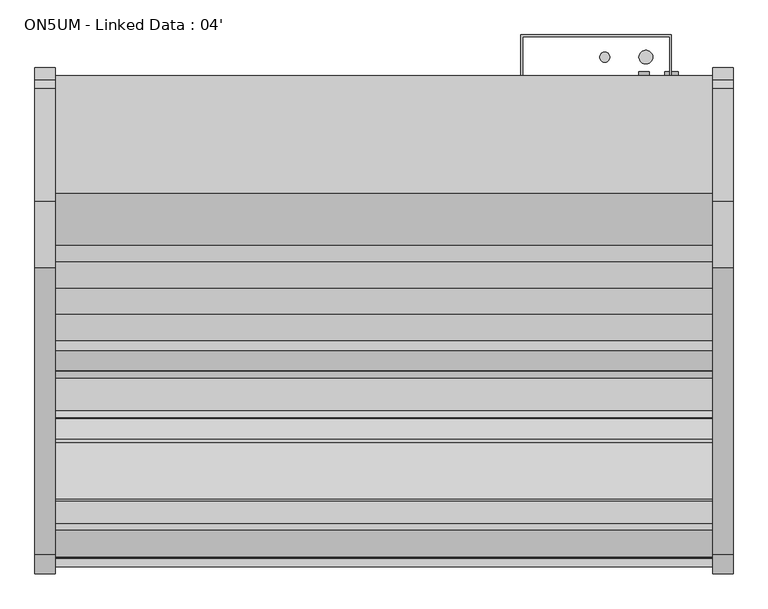
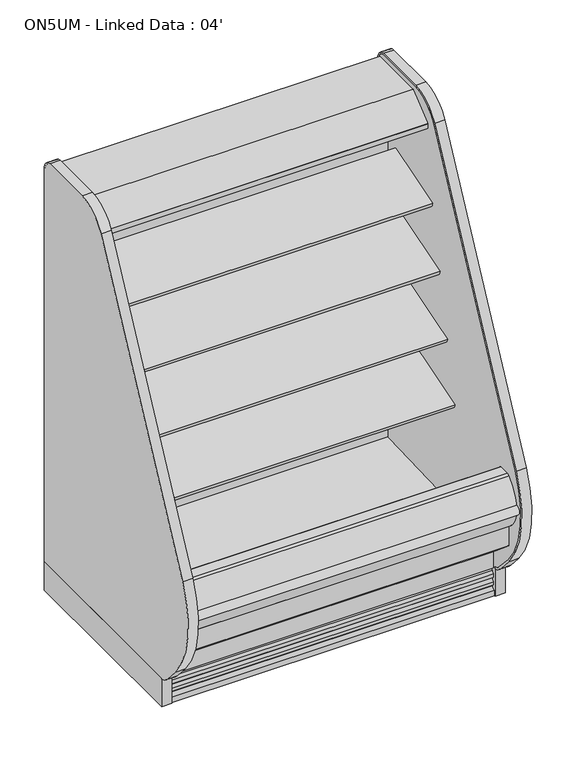
"""IFC4 building model written with IfcOpenShell, lengths in millimetres: proxy geometry, ON5UM - Linked Data : 04'."""

from ifc_helpers import new_model, si_unit, point, frame, frame_2d, origin, origin_with_axes, place, context, project, spatial, polyline, circle_curve, trimmed, segment, composite_curve, outline, extrude, source, transform, mapped, element, save
from ifc_brep_helpers import plane_surface, cylinder_surface, revolved_surface, advanced_brep


def on5um_linked_data_04_79787206(model_context):
    return source(origin(), model_context, "Body", "SolidModel", [
        extrude(outline(composite_curve([segment(polyline([(-386.2893812, 1680.5112406), (-386.2893812, 114.3), (-1152.4160029, 114.3), (-1152.4160029, 109.4814209)]), True, "CONTINUOUS"), segment(trimmed(circle_curve(frame_2d((-1137.0030162, 174.3506772)), 66.6751871), [point((-1152.4160029, 109.4814209))], [point((-1188.0213353, 131.4238594))], False, "CARTESIAN"), True, "CONTINUOUS"), segment(polyline([(-1188.0213353, 131.4238594), (-1241.1522033, 191.7701108)]), True, "CONTINUOUS"), segment(trimmed(circle_curve(frame_2d((-969.519668, 423.7103658)), 357.1841488), [point((-1241.1522033, 191.7701108))], [point((-1289.7288766, 581.9714755))], False, "CARTESIAN"), True, "CONTINUOUS"), segment(trimmed(circle_curve(frame_2d((9141.921087, -3966.5313645)), 11380.1669166), [point((-1289.7288766, 581.9714755))], [point((-757.6298618, 1646.586313))], False, "CARTESIAN"), True, "CONTINUOUS"), segment(trimmed(circle_curve(frame_2d((-626.9237334, 1572.4749838)), 150.2550535), [point((-757.6298618, 1646.586313))], [point((-633.7326134, 1722.5756842))], False, "CARTESIAN"), True, "CONTINUOUS"), segment(polyline([(-633.7326134, 1722.5756842), (-424.7661122, 1722.5756842)]), True, "CONTINUOUS"), segment(trimmed(circle_curve(frame_2d((-424.7661122, 1689.095884)), 33.4798002), [point((-424.7661122, 1722.5756842))], [point((-408.2318186, 1718.2079804))], False, "CARTESIAN"), True, "CONTINUOUS"), segment(trimmed(circle_curve(frame_2d((-429.6417835, 1680.5112406)), 43.3524023), [point((-408.2318186, 1718.2079804))], [point((-386.2893812, 1680.5112406))], False, "CARTESIAN"), True, "CONTINUOUS")], self_intersect=False)), frame((-38.1, 0.0, 0.0), z_axis=(1.0, 0.0, 0.0), x_axis=(0.0, 1.0, 0.0)), (0.0, 0.0, 1.0), 38.1),
        advanced_brep(
        [(-38.1, -1238.2478592, 197.2583924), (-38.1, -1170.0712436, 125.1554313), (-38.1, -1152.4994478, 116.8957338), (-38.1, -1152.4994478, 109.4924604), (-38.1, -1188.0465066, 131.4150415), (-38.1, -1241.1522033, 191.7701108), (-38.1, -1289.7288766, 581.9714755), (-38.1, -757.6298618, 1646.586313), (-38.1, -633.7326134, 1722.5756842), (-38.1, -424.7661122, 1722.5756842), (-38.1, -408.2318186, 1718.2079804), (-38.1, -386.2893812, 1680.5112406), (-38.1, -386.2893812, 114.3), (-38.1, -392.6393812, 114.3), (-38.1, -392.6393812, 1680.5112406), (-38.1, -411.3678219, 1712.6863879), (-38.1, -424.7661122, 1716.2256842), (-38.1, -633.5871081, 1716.2256842), (-38.1, -752.1060282, 1643.454259), (-38.1, -1283.943801, 579.3516742), (0.0, -1238.2478594, 197.2583922), (0.0, -1283.943801, 579.3516742), (0.0, -752.1060287, 1643.4542593), (0.0, -633.5871081, 1716.2256842), (0.0, -424.7661122, 1716.2256842), (0.0, -411.3678219, 1712.6863879), (0.0, -392.6393812, 1680.5112406), (0.0, -392.6393812, 114.3), (0.0, -386.2893812, 114.3), (0.0, -386.2893812, 1680.5112406), (0.0, -408.2318186, 1718.2079804), (0.0, -424.7661122, 1722.5756842), (0.0, -633.7326134, 1722.5756842), (0.0, -757.6298618, 1646.586313), (0.0, -1289.7288766, 581.9714755), (0.0, -1241.1522033, 191.7701108), (0.0, -1188.0465066, 131.4150415), (0.0, -1152.4994478, 109.4924604), (0.0, -1152.4994478, 116.8957338), (0.0, -1170.0712436, 125.1554313)],
        [
            (0, 1, circle_curve(frame((-38.1, -594.5520699, 737.618397), z_axis=(1.0, 0.0, 0.0), x_axis=(0.0, 1.0, 0.0)), 840.4363174)),
            (1, 2, circle_curve(frame((-38.1, -1137.362761, 171.9188236), z_axis=(1.0, 0.0, 0.0), x_axis=(0.0, 1.0, 0.0)), 57.0671508)),
            (2, 3),
            (3, 4, circle_curve(frame((-38.1, -1137.0350365, 174.3484557), z_axis=(-1.0, 0.0, 0.0), x_axis=(0.0, 1.0, 0.0)), 66.674194)),
            (4, 5),
            (5, 6, circle_curve(frame((-38.1, -969.519668, 423.7103658), z_axis=(-1.0, 0.0, 0.0), x_axis=(0.0, 1.0, 0.0)), 357.1841488)),
            (6, 7, circle_curve(frame((-38.1, 9141.921087, -3966.5313645), z_axis=(-1.0, 0.0, 0.0), x_axis=(0.0, 1.0, 0.0)), 11380.1669166)),
            (7, 8, circle_curve(frame((-38.1, -626.9237334, 1572.4749838), z_axis=(-1.0, 0.0, 0.0), x_axis=(0.0, 1.0, 0.0)), 150.2550535)),
            (8, 9),
            (9, 10, circle_curve(frame((-38.1, -424.7661122, 1689.095884), z_axis=(-1.0, 0.0, 0.0), x_axis=(0.0, 1.0, 0.0)), 33.4798002)),
            (10, 11, circle_curve(frame((-38.1, -429.6417835, 1680.5112406), z_axis=(-1.0, 0.0, 0.0), x_axis=(0.0, 1.0, 0.0)), 43.3524023)),
            (11, 12),
            (12, 13),
            (13, 14),
            (14, 15, circle_curve(frame((-38.1, -429.6417835, 1680.5112406), z_axis=(1.0, 0.0, 0.0), x_axis=(0.0, 1.0, 0.0)), 37.0024023)),
            (15, 16, circle_curve(frame((-38.1, -424.7661122, 1689.095884), z_axis=(1.0, 0.0, 0.0), x_axis=(0.0, 1.0, 0.0)), 27.1298002)),
            (16, 17),
            (17, 18, circle_curve(frame((-38.1, -626.9237334, 1572.4749838), z_axis=(1.0, 0.0, 0.0), x_axis=(0.0, 1.0, 0.0)), 143.9050535)),
            (18, 19, circle_curve(frame((-38.1, 9141.921087, -3966.5313645), z_axis=(1.0, 0.0, 0.0), x_axis=(0.0, 1.0, 0.0)), 11373.8169172)),
            (19, 0, circle_curve(frame((-38.1, -969.0620447, 423.2304283), z_axis=(1.0, 0.0, 0.0), x_axis=(0.0, 1.0, 0.0)), 351.4603305)),
            (20, 21, circle_curve(frame((0.0, -969.0620447, 423.2304283), z_axis=(-1.0, 0.0, 0.0), x_axis=(0.0, 1.0, 0.0)), 351.4603305)),
            (21, 22, circle_curve(frame((0.0, 9141.921087, -3966.5313645), z_axis=(-1.0, 0.0, 0.0), x_axis=(0.0, 1.0, 0.0)), 11373.8169172)),
            (22, 23, circle_curve(frame((0.0, -626.9237334, 1572.4749838), z_axis=(-1.0, 0.0, 0.0), x_axis=(0.0, 1.0, 0.0)), 143.9050535)),
            (23, 24),
            (24, 25, circle_curve(frame((0.0, -424.7661122, 1689.095884), z_axis=(-1.0, 0.0, 0.0), x_axis=(0.0, 1.0, 0.0)), 27.1298002)),
            (25, 26, circle_curve(frame((0.0, -429.6417835, 1680.5112406), z_axis=(-1.0, 0.0, 0.0), x_axis=(0.0, 1.0, 0.0)), 37.0024023)),
            (26, 27),
            (27, 28),
            (28, 29),
            (29, 30, circle_curve(frame((0.0, -429.6417835, 1680.5112406), z_axis=(1.0, 0.0, 0.0), x_axis=(0.0, 1.0, 0.0)), 43.3524023)),
            (30, 31, circle_curve(frame((0.0, -424.7661122, 1689.095884), z_axis=(1.0, 0.0, 0.0), x_axis=(0.0, 1.0, 0.0)), 33.4798002)),
            (31, 32),
            (32, 33, circle_curve(frame((0.0, -626.9237334, 1572.4749838), z_axis=(1.0, 0.0, 0.0), x_axis=(0.0, 1.0, 0.0)), 150.2550535)),
            (33, 34, circle_curve(frame((0.0, 9141.921087, -3966.5313645), z_axis=(1.0, 0.0, 0.0), x_axis=(0.0, 1.0, 0.0)), 11380.1669166)),
            (34, 35, circle_curve(frame((0.0, -969.519668, 423.7103658), z_axis=(1.0, 0.0, 0.0), x_axis=(0.0, 1.0, 0.0)), 357.1841488)),
            (35, 36),
            (36, 37, circle_curve(frame((0.0, -1137.0350365, 174.3484557), z_axis=(1.0, 0.0, 0.0), x_axis=(0.0, 1.0, 0.0)), 66.674194)),
            (37, 38),
            (38, 39, circle_curve(frame((0.0, -1137.362761, 171.9188236), z_axis=(-1.0, 0.0, 0.0), x_axis=(0.0, 1.0, 0.0)), 57.0671508)),
            (39, 20, circle_curve(frame((0.0, -594.5520699, 737.618397), z_axis=(-1.0, 0.0, 0.0), x_axis=(0.0, 1.0, 0.0)), 840.4363174)),
            (20, 0),
            (19, 21),
            (18, 22),
            (17, 23),
            (16, 24),
            (25, 15),
            (14, 26),
            (13, 27),
            (12, 28),
            (11, 29),
            (10, 30),
            (31, 9),
            (8, 32),
            (7, 33),
            (6, 34),
            (5, 35),
            (4, 36),
            (3, 37),
            (2, 38),
            (1, 39),
        ],
        [
            plane_surface(frame((-38.1, -617.6017141, 423.2304283), z_axis=(-1.0, 0.0, 0.0), x_axis=(0.0, 0.0, 1.0))),
            plane_surface(frame((0.0, -617.6017141, 423.2304283), z_axis=(1.0, 0.0, 0.0), x_axis=(0.0, 0.0, -1.0))),
            revolved_surface(polyline([(-38.1, -617.6017142000001, 423.2304283), (0.0, -617.6017142000001, 423.2304283)]), (-38.1, -969.0620447, 423.2304283), (-1.0, 0.0, 0.0)),
            revolved_surface(polyline([(-38.1, 20515.7380042, -3966.5313645), (0.0, 20515.7380042, -3966.5313645)]), (-38.1, 9141.921087, -3966.5313645), (-1.0, 0.0, 0.0)),
            revolved_surface(polyline([(-38.1, -483.01867989999994, 1572.4749838), (0.0, -483.01867989999994, 1572.4749838)]), (-38.1, -626.9237334, 1572.4749838), (-1.0, 0.0, 0.0)),
            plane_surface(frame((0.0, -633.5871081, 1716.2256842), z_axis=(0.0, 0.0, -1.0), x_axis=(-1.0, 0.0, 0.0))),
            revolved_surface(polyline([(-38.1, -392.6393812, 1680.5112406), (0.0, -392.6393812, 1680.5112406)]), (-38.1, -429.6417835, 1680.5112406), (-1.0, 0.0, 0.0)),
            plane_surface(frame((0.0, -392.6393812, 1680.5112406), z_axis=(0.0, -1.0, 0.0), x_axis=(-1.0, 0.0, 0.0))),
            plane_surface(frame((0.0, -392.6393812, 114.3), z_axis=(0.0, 0.0, -1.0), x_axis=(-1.0, 0.0, 0.0))),
            plane_surface(frame((0.0, -386.2893812, 114.3), z_axis=(0.0, 1.0, 0.0), x_axis=(-1.0, 0.0, 0.0))),
            cylinder_surface(frame((-38.1, -429.6417835, 1680.5112406), z_axis=(1.0, 0.0, 0.0), x_axis=(0.0, 1.0, 0.0)), 43.3524023),
            plane_surface(frame((0.0, -424.7661122, 1722.5756842), z_axis=(0.0, 0.0, 1.0), x_axis=(-1.0, 0.0, 0.0))),
            cylinder_surface(frame((-38.1, -626.9237334, 1572.4749838), z_axis=(1.0, 0.0, 0.0), x_axis=(0.0, 1.0, 0.0)), 150.2550535),
            cylinder_surface(frame((-38.1, 9141.921087, -3966.5313645), z_axis=(1.0, 0.0, 0.0), x_axis=(0.0, 1.0, 0.0)), 11380.1669166),
            cylinder_surface(frame((-38.1, -969.519668, 423.7103658), z_axis=(1.0, 0.0, 0.0), x_axis=(0.0, 1.0, 0.0)), 357.1841488),
            plane_surface(frame((0.0, -1241.1522033, 191.7701108), z_axis=(0.0, -0.7507552443600822, -0.6605804743298377), x_axis=(-1.0, 0.0, 0.0))),
            cylinder_surface(frame((-38.1, -1137.0350365, 174.3484557), z_axis=(1.0, 0.0, 0.0), x_axis=(0.0, 1.0, 0.0)), 66.674194),
            plane_surface(frame((0.0, -1152.4994478, 109.4924604), z_axis=(0.0, 1.0, 0.0), x_axis=(-1.0, 0.0, 0.0))),
            revolved_surface(polyline([(-38.1, -1080.2956102, 171.9188236), (0.0, -1080.2956102, 171.9188236)]), (-38.1, -1137.362761, 171.9188236), (-1.0, 0.0, 0.0)),
            revolved_surface(polyline([(-38.1, 245.88424750000001, 737.618397), (0.0, 245.88424750000001, 737.618397)]), (-38.1, -594.5520699, 737.618397), (-1.0, 0.0, 0.0)),
            revolved_surface(polyline([(-38.1, -397.63631200000003, 1689.095884), (0.0, -397.63631200000003, 1689.095884)]), (-38.1, -424.7661122, 1689.095884), (-1.0, 0.0, 0.0)),
            cylinder_surface(frame((-38.1, -424.7661122, 1689.095884), z_axis=(1.0, 0.0, 0.0), x_axis=(0.0, 1.0, 0.0)), 33.4798002),
        ],
        [
            (0, [[1, 2, 3, 4, 5, 6, 7, 8, 9, 10, 11, 12, 13, 14, 15, 16, 17, 18, 19, 20]]),
            (1, [[21, 22, 23, 24, 25, 26, 27, 28, 29, 30, 31, 32, 33, 34, 35, 36, 37, 38, 39, 40]]),
            (2, [[-21, 41, -20, 42]]),
            (3, [[-22, -42, -19, 43]]),
            (4, [[-23, -43, -18, 44]]),
            (5, [[-24, -44, -17, 45]]),
            (6, [[-26, 46, -15, 47]]),
            (7, [[-27, -47, -14, 48]]),
            (8, [[-28, -48, -13, 49]]),
            (9, [[-29, -49, -12, 50]]),
            (10, [[-30, -50, -11, 51]]),
            (11, [[-32, 52, -9, 53]]),
            (12, [[-33, -53, -8, 54]]),
            (13, [[-34, -54, -7, 55]]),
            (14, [[-35, -55, -6, 56]]),
            (15, [[-36, -56, -5, 57]]),
            (16, [[-37, -57, -4, 58]]),
            (17, [[-38, -58, -3, 59]]),
            (18, [[-39, -59, -2, 60]]),
            (19, [[-40, -60, -1, -41]]),
            (20, [[-25, -45, -16, -46]]),
            (21, [[-31, -51, -10, -52]]),
        ],
    ),
        advanced_brep(
        [(1219.2, -392.6393812, 114.3), (1219.2, -392.6393812, 1680.5112406), (1219.2, -411.3678219, 1712.6863879), (1219.2, -424.7661122, 1716.2256842), (1219.2, -633.5871081, 1716.2256842), (1219.2, -752.1060282, 1643.454259), (1219.2, -1283.943801, 579.3516742), (1219.2, -1238.2478594, 197.2583922), (1219.2, -1170.0712436, 125.1554313), (1219.2, -1152.4994478, 116.8957338), (1219.2, -1152.4994478, 109.4924604), (1219.2, -1188.0465066, 131.4150415), (1219.2, -1241.1522033, 191.7701108), (1219.2, -1289.7288766, 581.9714755), (1219.2, -757.6298618, 1646.586313), (1219.2, -633.7326134, 1722.5756842), (1219.2, -424.7661122, 1722.5756842), (1219.2, -408.2318186, 1718.2079804), (1219.2, -386.2893812, 1680.5112406), (1219.2, -386.2893812, 114.3), (1257.3, -392.6393812, 114.3), (1257.3, -386.2893812, 114.3), (1257.3, -386.2893812, 1680.5112406), (1257.3, -408.2318186, 1718.2079804), (1257.3, -424.7661122, 1722.5756842), (1257.3, -633.7326134, 1722.5756842), (1257.3, -757.6298618, 1646.586313), (1257.3, -1289.7288766, 581.9714755), (1257.3, -1241.1522033, 191.7701108), (1257.3, -1188.0465066, 131.4150415), (1257.3, -1152.4994478, 109.4924604), (1257.3, -1152.4994478, 116.8957338), (1257.3, -1170.0712436, 125.1554313), (1257.3, -1238.2478592, 197.2583924), (1257.3, -1283.943801, 579.3516742), (1257.3, -752.1060287, 1643.4542593), (1257.3, -633.5871081, 1716.2256842), (1257.3, -424.7661122, 1716.2256842), (1257.3, -411.3678219, 1712.6863879), (1257.3, -392.6393812, 1680.5112406)],
        [
            (0, 1),
            (1, 2, circle_curve(frame((1219.2, -429.6417835, 1680.5112406), z_axis=(1.0, 0.0, 0.0), x_axis=(0.0, 1.0, 0.0)), 37.0024023)),
            (2, 3, circle_curve(frame((1219.2, -424.7661122, 1689.095884), z_axis=(1.0, 0.0, 0.0), x_axis=(0.0, 1.0, 0.0)), 27.1298002)),
            (3, 4),
            (4, 5, circle_curve(frame((1219.2, -626.9237334, 1572.4749838), z_axis=(1.0, 0.0, 0.0), x_axis=(0.0, 1.0, 0.0)), 143.9050535)),
            (5, 6, circle_curve(frame((1219.2, 9141.921087, -3966.5313645), z_axis=(1.0, 0.0, 0.0), x_axis=(0.0, 1.0, 0.0)), 11373.8169172)),
            (6, 7, circle_curve(frame((1219.2, -969.0620447, 423.2304283), z_axis=(1.0, 0.0, 0.0), x_axis=(0.0, 1.0, 0.0)), 351.4603305)),
            (7, 8, circle_curve(frame((1219.2, -594.5520699, 737.618397), z_axis=(1.0, 0.0, 0.0), x_axis=(0.0, 1.0, 0.0)), 840.4363174)),
            (8, 9, circle_curve(frame((1219.2, -1137.362761, 171.9188236), z_axis=(1.0, 0.0, 0.0), x_axis=(0.0, 1.0, 0.0)), 57.0671508)),
            (9, 10),
            (10, 11, circle_curve(frame((1219.2, -1137.0350365, 174.3484557), z_axis=(-1.0, 0.0, 0.0), x_axis=(0.0, 1.0, 0.0)), 66.674194)),
            (11, 12),
            (12, 13, circle_curve(frame((1219.2, -969.519668, 423.7103658), z_axis=(-1.0, 0.0, 0.0), x_axis=(0.0, 1.0, 0.0)), 357.1841488)),
            (13, 14, circle_curve(frame((1219.2, 9141.921087, -3966.5313645), z_axis=(-1.0, 0.0, 0.0), x_axis=(0.0, 1.0, 0.0)), 11380.1669166)),
            (14, 15, circle_curve(frame((1219.2, -626.9237334, 1572.4749838), z_axis=(-1.0, 0.0, 0.0), x_axis=(0.0, 1.0, 0.0)), 150.2550535)),
            (15, 16),
            (16, 17, circle_curve(frame((1219.2, -424.7661122, 1689.095884), z_axis=(-1.0, 0.0, 0.0), x_axis=(0.0, 1.0, 0.0)), 33.4798002)),
            (17, 18, circle_curve(frame((1219.2, -429.6417835, 1680.5112406), z_axis=(-1.0, 0.0, 0.0), x_axis=(0.0, 1.0, 0.0)), 43.3524023)),
            (18, 19),
            (19, 0),
            (20, 21),
            (21, 22),
            (22, 23, circle_curve(frame((1257.3, -429.6417835, 1680.5112406), z_axis=(1.0, 0.0, 0.0), x_axis=(0.0, 1.0, 0.0)), 43.3524023)),
            (23, 24, circle_curve(frame((1257.3, -424.7661122, 1689.095884), z_axis=(1.0, 0.0, 0.0), x_axis=(0.0, 1.0, 0.0)), 33.4798002)),
            (24, 25),
            (25, 26, circle_curve(frame((1257.3, -626.9237334, 1572.4749838), z_axis=(1.0, 0.0, 0.0), x_axis=(0.0, 1.0, 0.0)), 150.2550535)),
            (26, 27, circle_curve(frame((1257.3, 9141.921087, -3966.5313645), z_axis=(1.0, 0.0, 0.0), x_axis=(0.0, 1.0, 0.0)), 11380.1669166)),
            (27, 28, circle_curve(frame((1257.3, -969.519668, 423.7103658), z_axis=(1.0, 0.0, 0.0), x_axis=(0.0, 1.0, 0.0)), 357.1841488)),
            (28, 29),
            (29, 30, circle_curve(frame((1257.3, -1137.0350365, 174.3484557), z_axis=(1.0, 0.0, 0.0), x_axis=(0.0, 1.0, 0.0)), 66.674194)),
            (30, 31),
            (31, 32, circle_curve(frame((1257.3, -1137.362761, 171.9188236), z_axis=(-1.0, 0.0, 0.0), x_axis=(0.0, 1.0, 0.0)), 57.0671508)),
            (32, 33, circle_curve(frame((1257.3, -594.5520699, 737.618397), z_axis=(-1.0, 0.0, 0.0), x_axis=(0.0, 1.0, 0.0)), 840.4363174)),
            (33, 34, circle_curve(frame((1257.3, -969.0620447, 423.2304283), z_axis=(-1.0, 0.0, 0.0), x_axis=(0.0, 1.0, 0.0)), 351.4603305)),
            (34, 35, circle_curve(frame((1257.3, 9141.921087, -3966.5313645), z_axis=(-1.0, 0.0, 0.0), x_axis=(0.0, 1.0, 0.0)), 11373.8169172)),
            (35, 36, circle_curve(frame((1257.3, -626.9237334, 1572.4749838), z_axis=(-1.0, 0.0, 0.0), x_axis=(0.0, 1.0, 0.0)), 143.9050535)),
            (36, 37),
            (37, 38, circle_curve(frame((1257.3, -424.7661122, 1689.095884), z_axis=(-1.0, 0.0, 0.0), x_axis=(0.0, 1.0, 0.0)), 27.1298002)),
            (38, 39, circle_curve(frame((1257.3, -429.6417835, 1680.5112406), z_axis=(-1.0, 0.0, 0.0), x_axis=(0.0, 1.0, 0.0)), 37.0024023)),
            (39, 20),
            (20, 0),
            (19, 21),
            (18, 22),
            (24, 16),
            (15, 25),
            (14, 26),
            (13, 27),
            (12, 28),
            (11, 29),
            (10, 30),
            (9, 31),
            (8, 32),
            (7, 33),
            (6, 34),
            (5, 35),
            (4, 36),
            (3, 37),
            (39, 1),
            (17, 23),
            (2, 38),
        ],
        [
            plane_surface(frame((1219.2, -417.3839273, 114.3), z_axis=(-1.0, 0.0, 0.0), x_axis=(0.0, -1.0, 0.0))),
            plane_surface(frame((1257.3, -417.3839273, 114.3), z_axis=(1.0, 0.0, 0.0), x_axis=(0.0, 1.0, 0.0))),
            plane_surface(frame((1257.3, -392.6393812, 114.3), z_axis=(0.0, 0.0, -1.0), x_axis=(-1.0, 0.0, 0.0))),
            plane_surface(frame((1257.3, -386.2893812, 114.3), z_axis=(0.0, 1.0, 0.0), x_axis=(-1.0, 0.0, 0.0))),
            plane_surface(frame((1257.3, -424.7661122, 1722.5756842), z_axis=(0.0, 0.0, 1.0), x_axis=(-1.0, 0.0, 0.0))),
            cylinder_surface(frame((1219.2, -626.9237334, 1572.4749838), z_axis=(1.0, 0.0, 0.0), x_axis=(0.0, 1.0, 0.0)), 150.2550535),
            cylinder_surface(frame((1219.2, 9141.921087, -3966.5313645), z_axis=(1.0, 0.0, 0.0), x_axis=(0.0, 1.0, 0.0)), 11380.1669166),
            cylinder_surface(frame((1219.2, -969.519668, 423.7103658), z_axis=(1.0, 0.0, 0.0), x_axis=(0.0, 1.0, 0.0)), 357.1841488),
            plane_surface(frame((1257.3, -1241.1522033, 191.7701108), z_axis=(0.0, -0.750755244360021, -0.6605804743299073), x_axis=(-1.0, 0.0, 0.0))),
            cylinder_surface(frame((1219.2, -1137.0350365, 174.3484557), z_axis=(1.0, 0.0, 0.0), x_axis=(0.0, 1.0, 0.0)), 66.674194),
            plane_surface(frame((1257.3, -1152.4994478, 109.4924604), z_axis=(0.0, 1.0, 0.0), x_axis=(-1.0, 0.0, 0.0))),
            revolved_surface(polyline([(1219.2, -1080.2956102, 171.9188236), (1257.3, -1080.2956102, 171.9188236)]), (1219.2, -1137.362761, 171.9188236), (-1.0, 0.0, 0.0)),
            revolved_surface(polyline([(1219.2, 245.88424750000001, 737.618397), (1257.3, 245.88424750000001, 737.618397)]), (1219.2, -594.5520699, 737.618397), (-1.0, 0.0, 0.0)),
            revolved_surface(polyline([(1219.2, -617.6017142000001, 423.2304283), (1257.3, -617.6017142000001, 423.2304283)]), (1219.2, -969.0620447, 423.2304283), (-1.0, 0.0, 0.0)),
            revolved_surface(polyline([(1219.2, 20515.7380042, -3966.5313645), (1257.3, 20515.7380042, -3966.5313645)]), (1219.2, 9141.921087, -3966.5313645), (-1.0, 0.0, 0.0)),
            revolved_surface(polyline([(1219.2, -483.01867989999994, 1572.4749838), (1257.3, -483.01867989999994, 1572.4749838)]), (1219.2, -626.9237334, 1572.4749838), (-1.0, 0.0, 0.0)),
            plane_surface(frame((1257.3, -633.5871081, 1716.2256842), z_axis=(0.0, 0.0, -1.0), x_axis=(-1.0, 0.0, 0.0))),
            plane_surface(frame((1257.3, -392.6393812, 1680.5112406), z_axis=(0.0, -1.0, 0.0), x_axis=(-1.0, 0.0, 0.0))),
            cylinder_surface(frame((1219.2, -429.6417835, 1680.5112406), z_axis=(1.0, 0.0, 0.0), x_axis=(0.0, 1.0, 0.0)), 43.3524023),
            cylinder_surface(frame((1219.2, -424.7661122, 1689.095884), z_axis=(1.0, 0.0, 0.0), x_axis=(0.0, 1.0, 0.0)), 33.4798002),
            revolved_surface(polyline([(1219.2, -397.63631200000003, 1689.095884), (1257.3, -397.63631200000003, 1689.095884)]), (1219.2, -424.7661122, 1689.095884), (-1.0, 0.0, 0.0)),
            revolved_surface(polyline([(1219.2, -392.6393812, 1680.5112406), (1257.3, -392.6393812, 1680.5112406)]), (1219.2, -429.6417835, 1680.5112406), (-1.0, 0.0, 0.0)),
        ],
        [
            (0, [[1, 2, 3, 4, 5, 6, 7, 8, 9, 10, 11, 12, 13, 14, 15, 16, 17, 18, 19, 20]]),
            (1, [[21, 22, 23, 24, 25, 26, 27, 28, 29, 30, 31, 32, 33, 34, 35, 36, 37, 38, 39, 40]]),
            (2, [[-21, 41, -20, 42]]),
            (3, [[-22, -42, -19, 43]]),
            (4, [[-25, 44, -16, 45]]),
            (5, [[-26, -45, -15, 46]]),
            (6, [[-27, -46, -14, 47]]),
            (7, [[-28, -47, -13, 48]]),
            (8, [[-29, -48, -12, 49]]),
            (9, [[-30, -49, -11, 50]]),
            (10, [[-31, -50, -10, 51]]),
            (11, [[-32, -51, -9, 52]]),
            (12, [[-33, -52, -8, 53]]),
            (13, [[-34, -53, -7, 54]]),
            (14, [[-35, -54, -6, 55]]),
            (15, [[-36, -55, -5, 56]]),
            (16, [[-37, -56, -4, 57]]),
            (17, [[-40, 58, -1, -41]]),
            (18, [[-23, -43, -18, 59]]),
            (19, [[-24, -59, -17, -44]]),
            (20, [[-38, -57, -3, 60]]),
            (21, [[-39, -60, -2, -58]]),
        ],
    ),
        extrude(outline(composite_curve([segment(polyline([(-1152.4160029, 114.3), (-1152.4160029, 109.4814209)]), True, "CONTINUOUS"), segment(trimmed(circle_curve(frame_2d((-1137.0030162, 174.3506772)), 66.6751871), [point((-1152.4160029, 109.4814209))], [point((-1188.0213353, 131.4238594))], False, "CARTESIAN"), True, "CONTINUOUS"), segment(polyline([(-1188.0213353, 131.4238594), (-1241.1522033, 191.7701108)]), True, "CONTINUOUS"), segment(trimmed(circle_curve(frame_2d((-969.519668, 423.7103658)), 357.1841488), [point((-1241.1522033, 191.7701108))], [point((-1289.7288766, 581.9714755))], False, "CARTESIAN"), True, "CONTINUOUS"), segment(trimmed(circle_curve(frame_2d((9141.921087, -3966.5313645)), 11380.1669166), [point((-1289.7288766, 581.9714755))], [point((-757.6298618, 1646.586313))], False, "CARTESIAN"), True, "CONTINUOUS"), segment(trimmed(circle_curve(frame_2d((-626.9237334, 1572.4749838)), 150.2550535), [point((-757.6298618, 1646.586313))], [point((-633.7326134, 1722.5756842))], False, "CARTESIAN"), True, "CONTINUOUS"), segment(polyline([(-633.7326134, 1722.5756842), (-424.7661122, 1722.5756842)]), True, "CONTINUOUS"), segment(trimmed(circle_curve(frame_2d((-424.7661122, 1689.095884)), 33.4798002), [point((-424.7661122, 1722.5756842))], [point((-408.2318186, 1718.2079804))], False, "CARTESIAN"), True, "CONTINUOUS"), segment(trimmed(circle_curve(frame_2d((-429.6417835, 1680.5112406)), 43.3524023), [point((-408.2318186, 1718.2079804))], [point((-386.2893812, 1680.5112406))], False, "CARTESIAN"), True, "CONTINUOUS"), segment(polyline([(-386.2893812, 1680.5112406), (-386.2893812, 114.3), (-1152.4160029, 114.3)]), True, "CONTINUOUS")], self_intersect=False)), frame((1219.2, 0.0, 0.0), z_axis=(1.0, 0.0, 0.0), x_axis=(0.0, 1.0, 0.0)), (0.0, 0.0, 1.0), 38.1),
        extrude(outline(polyline([(1257.3, -385.6339273), (1257.3, -1152.4160029), (1219.2, -1152.4160029), (1219.2, -385.6339273), (1257.3, -385.6339273)])), origin_with_axes(), (0.0, 0.0, 1.0), 114.3),
        extrude(outline(composite_curve([segment(polyline([(-514.5457224, 1615.7605838), (-504.8382084, 1618.7588787), (-504.5715038, 1617.8953752), (-503.5043326, 1617.8953752), (-503.5043326, 1524.1310435), (-528.7995468, 1520.5782473)]), True, "CONTINUOUS"), segment(trimmed(circle_curve(frame_2d((-528.9394297, 1522.1519225)), 1.57988), [point((-528.7995468, 1520.5782473))], [point((-530.5039344, 1521.9320457))], False, "CARTESIAN"), True, "CONTINUOUS"), segment(polyline([(-530.5039344, 1521.9320457), (-531.3887441, 1528.2277938), (-530.6039765, 1528.3380857), (-529.6095819, 1521.2626005), (-506.0288235, 1524.57666), (-520.1248622, 1624.875187), (-542.8854436, 1621.8528314)]), True, "CONTINUOUS"), segment(trimmed(circle_curve(frame_2d((-542.7817953, 1621.072283)), 0.7874), [point((-542.8854436, 1621.8528314))], [point((-543.5623437, 1620.9686347))], True, "CARTESIAN"), True, "CONTINUOUS"), segment(polyline([(-543.5623437, 1620.9686347), (-542.5392347, 1613.2638646), (-543.3197834, 1613.1602184), (-544.3428921, 1620.8649865)]), True, "CONTINUOUS"), segment(trimmed(circle_curve(frame_2d((-542.7817953, 1621.072283)), 1.5748), [point((-544.3428921, 1620.8649865))], [point((-542.9890919, 1622.6333798))], False, "CARTESIAN"), True, "CONTINUOUS"), segment(polyline([(-542.9890919, 1622.6333798), (-519.0246807, 1625.8155909)]), True, "CONTINUOUS"), segment(trimmed(circle_curve(frame_2d((-518.8173842, 1624.2544941)), 1.5748), [point((-519.0246807, 1625.8155909))], [point((-517.3127195, 1624.7192298))], False, "CARTESIAN"), True, "CONTINUOUS"), segment(polyline([(-517.3127195, 1624.7192298), (-514.5457224, 1615.7605838)]), True, "CONTINUOUS")], self_intersect=False)), frame((0.0, 0.0, 0.0), z_axis=(1.0, 0.0, 0.0), x_axis=(0.0, 1.0, 0.0)), (0.0, 0.0, 1.0), 1219.2),
        extrude(outline(polyline([(-401.5362454, 1697.0375), (-401.5362454, 1650.6095648), (-452.3362454, 1650.6095648), (-452.3362454, 1617.8953752), (-504.5715038, 1617.8953752), (-506.6507529, 1624.6273143), (-511.4451991, 1623.1464857), (-535.5152392, 1651.8320425), (-642.283557, 1651.8320425), (-643.121757, 1650.9938425), (-643.121757, 1639.8686425), (-643.6798466, 1638.6898324), (-688.3176895, 1602.1138324), (-689.2835999, 1601.7686425), (-700.780223, 1601.7686425), (-700.780223, 1599.8368669), (-715.8942413, 1599.8368669), (-715.8942413, 1618.1058169), (-715.3010798, 1619.3494059), (-619.3642733, 1697.0375), (-401.5362454, 1697.0375)])), frame((0.0, 0.0, 0.0), z_axis=(1.0, 0.0, 0.0), x_axis=(0.0, 1.0, 0.0)), (0.0, 0.0, 1.0), 1219.2),
        extrude(outline(composite_curve([segment(polyline([(-506.0288235, 1524.57666), (-529.6095819, 1521.2626005), (-530.6039765, 1528.3380857), (-542.5344107, 1613.2275359), (-543.5623437, 1620.9686347)]), True, "CONTINUOUS"), segment(trimmed(circle_curve(frame_2d((-542.7817953, 1621.072283)), 0.7874), [point((-543.5623437, 1620.9686347))], [point((-542.8854436, 1621.8528314))], False, "CARTESIAN"), True, "CONTINUOUS"), segment(polyline([(-542.8854436, 1621.8528314), (-520.1248622, 1624.875187), (-506.0288235, 1524.57666)]), True, "CONTINUOUS")], self_intersect=False)), frame((0.0, 0.0, 0.0), z_axis=(1.0, 0.0, 0.0), x_axis=(0.0, 1.0, 0.0)), (0.0, 0.0, 1.0), 1219.2),
        extrude(outline(composite_curve([segment(trimmed(circle_curve(frame_2d((-586.8588534, 1611.5018376)), 14.2875), [point((-601.1463534, 1611.5018376))], [point((-572.5713534, 1611.5018376))], False, "CARTESIAN"), True, "CONTINUOUS"), segment(trimmed(circle_curve(frame_2d((-586.8588534, 1611.5018376)), 14.2875), [point((-572.5713534, 1611.5018376))], [point((-601.1463534, 1611.5018376))], False, "CARTESIAN"), True, "CONTINUOUS")], self_intersect=False)), frame((0.0, 0.0, 0.0), z_axis=(1.0, 0.0, 0.0), x_axis=(0.0, 1.0, 0.0)), (0.0, 0.0, 1.0), 1219.2),
        extrude(outline(composite_curve([segment(trimmed(circle_curve(frame_2d((-624.2476534, 1611.5018376)), 14.2875), [point((-638.5351534, 1611.5018376))], [point((-609.9601534, 1611.5018376))], False, "CARTESIAN"), True, "CONTINUOUS"), segment(trimmed(circle_curve(frame_2d((-624.2476534, 1611.5018376)), 14.2875), [point((-609.9601534, 1611.5018376))], [point((-638.5351534, 1611.5018376))], False, "CARTESIAN"), True, "CONTINUOUS")], self_intersect=False)), frame((0.0, 0.0, 0.0), z_axis=(1.0, 0.0, 0.0), x_axis=(0.0, 1.0, 0.0)), (0.0, 0.0, 1.0), 1219.2),
        extrude(outline(composite_curve([segment(polyline([(-503.4770145, 863.3098138), (-520.8520366, 857.6729901)]), True, "CONTINUOUS"), segment(trimmed(circle_curve(frame_2d((-528.6901714, 881.8333635)), 25.4), [point((-520.8520366, 857.6729901))], [point((-538.1963728, 858.2793376))], False, "CARTESIAN"), True, "CONTINUOUS"), segment(polyline([(-538.1963728, 858.2793376), (-559.4917706, 866.8739762)]), True, "CONTINUOUS"), segment(trimmed(circle_curve(frame_2d((-583.257274, 807.9889114)), 63.5), [point((-559.4917706, 866.8739762))], [point((-594.1259367, 870.5518571))], True, "CARTESIAN"), True, "CONTINUOUS"), segment(polyline([(-594.1259367, 870.5518571), (-731.8940366, 853.2118233), (-734.3236807, 856.0667635), (-839.3802906, 823.9477346), (-843.5389858, 837.5502134), (-503.4770145, 941.5175916), (-503.4770145, 863.3098138)]), True, "CONTINUOUS")], self_intersect=False)), frame((0.0, 0.0, 0.0), z_axis=(1.0, 0.0, 0.0), x_axis=(0.0, 1.0, 0.0)), (0.0, 0.0, 1.0), 1219.2),
        extrude(outline(polyline([(1257.3, -385.6339273), (1257.3, -1152.4160029), (1219.2, -1152.4160029), (1219.2, -385.6339273), (1257.3, -385.6339273)])), origin_with_axes(), (0.0, 0.0, 1.0), 114.3),
        extrude(outline(composite_curve([segment(polyline([(-503.4770145, 1088.9683713), (-520.8520366, 1083.3315476)]), True, "CONTINUOUS"), segment(trimmed(circle_curve(frame_2d((-528.6901714, 1107.491921)), 25.4), [point((-520.8520366, 1083.3315476))], [point((-538.1963728, 1083.9378951))], False, "CARTESIAN"), True, "CONTINUOUS"), segment(polyline([(-538.1963728, 1083.9378951), (-559.4917706, 1092.5325337)]), True, "CONTINUOUS"), segment(trimmed(circle_curve(frame_2d((-583.257274, 1033.6474689)), 63.5), [point((-559.4917706, 1092.5325337))], [point((-594.1259367, 1096.2104146))], True, "CARTESIAN"), True, "CONTINUOUS"), segment(polyline([(-594.1259367, 1096.2104146), (-731.8940366, 1078.8703808), (-734.3236807, 1081.725321), (-790.800009, 1064.4587746), (-794.9587042, 1078.0612535), (-503.4770145, 1167.1761491), (-503.4770145, 1088.9683713)]), True, "CONTINUOUS")], self_intersect=False)), frame((0.0, 0.0, 0.0), z_axis=(1.0, 0.0, 0.0), x_axis=(0.0, 1.0, 0.0)), (0.0, 0.0, 1.0), 1219.2),
        extrude(outline(composite_curve([segment(trimmed(circle_curve(frame_2d((-1295.2968597, 431.6758132)), 17.3404466), [point((-1294.9549897, 414.338737))], [point((-1294.7322045, 449.007064))], False, "CARTESIAN"), True, "CONTINUOUS"), segment(trimmed(circle_curve(frame_2d((-1122.863718, 403.4621932)), 177.8007646), [point((-1294.7322045, 449.007064))], [point((-1296.5810234, 441.3489948))], True, "CARTESIAN"), True, "CONTINUOUS"), segment(trimmed(circle_curve(frame_2d((-1169.7227431, 435.4318662)), 126.9962034), [point((-1296.5810234, 441.3489948))], [point((-1294.9549897, 414.338737))], True, "CARTESIAN"), True, "CONTINUOUS")], self_intersect=False)), frame((0.0, 0.0, 0.0), z_axis=(1.0, 0.0, 0.0), x_axis=(0.0, 1.0, 0.0)), (0.0, 0.0, 1.0), 1219.2),
        extrude(outline(composite_curve([segment(trimmed(circle_curve(frame_2d((1084.8362287, -1007.9339273)), 12.7), [point((1072.1362287, -1007.9339273))], [point((1097.5362287, -1007.9339273))], False, "CARTESIAN"), True, "CONTINUOUS"), segment(trimmed(circle_curve(frame_2d((1084.8362287, -1007.9339273)), 12.7), [point((1097.5362287, -1007.9339273))], [point((1072.1362287, -1007.9339273))], False, "CARTESIAN"), True, "CONTINUOUS")], self_intersect=False)), frame((0.0, 0.0, 68.5310382), z_axis=(0.0, 0.0, 1.0), x_axis=(1.0, 0.0, 0.0)), (0.0, 0.0, 1.0), 52.7807458),
        extrude(outline(composite_curve([segment(trimmed(circle_curve(frame_2d((1034.63831, -1007.9339273)), 9.525), [point((1025.11331, -1007.9339273))], [point((1044.16331, -1007.9339273))], False, "CARTESIAN"), True, "CONTINUOUS"), segment(trimmed(circle_curve(frame_2d((1034.63831, -1007.9339273)), 9.525), [point((1044.16331, -1007.9339273))], [point((1025.11331, -1007.9339273))], False, "CARTESIAN"), True, "CONTINUOUS")], self_intersect=False)), frame((0.0, 0.0, 68.5310382), z_axis=(0.0, 0.0, 1.0), x_axis=(1.0, 0.0, 0.0)), (0.0, 0.0, 1.0), 52.7807458),
        extrude(outline(polyline([(0.0, -386.2893812), (0.0, -1152.4160029), (-38.1, -1152.4160029), (-38.1, -386.2893812), (0.0, -386.2893812)])), origin_with_axes(), (0.0, 0.0, 1.0), 114.3),
        extrude(outline(polyline([(1139.825, -401.5089273), (1139.825, -328.4839273), (866.775, -328.4839273), (866.775, -401.5089273), (863.6, -401.5089273), (863.6, -325.3089273), (1143.0, -325.3089273), (1143.0, -401.5089273), (1139.825, -401.5089273)])), frame((0.0, 0.0, 522.6122796), z_axis=(0.0, 0.0, 1.0), x_axis=(1.0, 0.0, 0.0)), (0.0, 0.0, 1.0), 1034.456007),
        advanced_brep(
        [(0.0, -401.5089273, 1650.6095648), (0.0, -401.5089273, 130.175), (0.0, -1092.9329421, 130.175), (0.0, -1242.6779256, 255.8259604), (0.0, -1242.6779256, 390.4771975), (0.0, -1191.6695874, 390.4771975), (0.0, -1191.6695874, 280.6965658), (0.0, -1081.6882807, 188.4112919), (0.0, -1075.5167374, 188.6268069), (0.0, -1036.8125365, 160.6272219), (0.0, -1035.5745571, 160.670453), (0.0, -1022.2030531, 151.6562137), (0.0, -961.9148015, 153.7615258), (0.0, -949.2046713, 163.6865559), (0.0, -947.966692, 163.7297871), (0.0, -911.2586215, 194.4039054), (0.0, -452.3089273, 210.4307819), (0.0, -452.3089273, 1650.6095648), (1219.2, -401.5089273, 1650.6095648), (1219.2, -452.3089273, 1650.6095648), (1219.2, -452.3089273, 210.4307819), (1219.2, -911.2586215, 194.4039054), (1219.2, -947.966692, 163.7297871), (1219.2, -949.2046713, 163.6865559), (1219.2, -961.9148015, 153.7615258), (1219.2, -1022.2030531, 151.6562137), (1219.2, -1035.5745571, 160.670453), (1219.2, -1036.8125365, 160.6272219), (1219.2, -1075.5167374, 188.6268069), (1219.2, -1081.6882807, 188.4112919), (1219.2, -1191.6695874, 280.6965658), (1219.2, -1191.6695874, 390.4771975), (1219.2, -1242.6779256, 390.4771975), (1219.2, -1242.6779256, 255.8259604), (1219.2, -1092.9329421, 130.175), (1219.2, -401.5089273, 130.175), (1117.6, -401.5089273, 368.3), (1117.6, -401.5089273, 266.7), (1117.6, -446.7209273, 266.7), (1117.6, -446.7209273, 368.3)],
        [
            (0, 1),
            (1, 2),
            (2, 3),
            (3, 4),
            (4, 5),
            (5, 6),
            (6, 7),
            (7, 8),
            (8, 9),
            (9, 10),
            (10, 11),
            (11, 12),
            (12, 13),
            (13, 14),
            (14, 15),
            (15, 16),
            (16, 17),
            (17, 0),
            (18, 19),
            (19, 20),
            (20, 21),
            (21, 22),
            (22, 23),
            (23, 24),
            (24, 25),
            (25, 26),
            (26, 27),
            (27, 28),
            (28, 29),
            (29, 30),
            (30, 31),
            (31, 32),
            (32, 33),
            (33, 34),
            (34, 35),
            (35, 18),
            (17, 19),
            (18, 0),
            (16, 20),
            (1, 35),
            (34, 2),
            (36, 37, circle_curve(frame((1117.6, -401.5089273, 317.5), z_axis=(0.0, -1.0, 0.0), x_axis=(0.0, 0.0, 1.0)), 50.8)),
            (37, 36, circle_curve(frame((1117.6, -401.5089273, 317.5), z_axis=(0.0, -1.0, 0.0), x_axis=(0.0, 0.0, 1.0)), 50.8)),
            (38, 39, circle_curve(frame((1117.6, -446.7209273, 317.5), z_axis=(0.0, 1.0, 0.0), x_axis=(0.0, 0.0, 1.0)), 50.8)),
            (39, 38, circle_curve(frame((1117.6, -446.7209273, 317.5), z_axis=(0.0, 1.0, 0.0), x_axis=(0.0, 0.0, 1.0)), 50.8)),
            (38, 37),
            (36, 39),
            (15, 21),
            (14, 22),
            (13, 23),
            (12, 24),
            (11, 25),
            (10, 26),
            (9, 27),
            (8, 28),
            (7, 29),
            (6, 30),
            (5, 31),
            (4, 32),
            (3, 33),
        ],
        [
            plane_surface(frame((0.0, -452.3089273, 1650.6095648), z_axis=(-1.0, 0.0, 0.0), x_axis=(0.0, 1.0, 0.0))),
            plane_surface(frame((1219.2, -452.3089273, 1650.6095648), z_axis=(1.0, 0.0, 0.0), x_axis=(0.0, -1.0, 0.0))),
            plane_surface(frame((1219.2, -401.5089273, 1650.6095648), z_axis=(0.0, 0.0, 1.0), x_axis=(-1.0, 0.0, 0.0))),
            plane_surface(frame((1219.2, -452.3089273, 1650.6095648), z_axis=(0.0, -1.0, 0.0), x_axis=(-1.0, 0.0, 0.0))),
            plane_surface(frame((1219.2, -1092.9329421, 130.175), z_axis=(0.0, 0.0, -1.0), x_axis=(-1.0, 0.0, 0.0))),
            plane_surface(frame((1219.2, -401.5089273, 130.175), z_axis=(0.0, 1.0, 0.0), x_axis=(-1.0, 0.0, 0.0))),
            plane_surface(frame((1117.6, -446.7209273, 368.3), z_axis=(0.0, 1.0, 0.0), x_axis=(-1.0, 0.0, 0.0))),
            revolved_surface(polyline([(1117.6, -401.5089273, 368.3), (1117.6, -446.7209273, 368.3)]), (1117.6, -446.7209273, 317.5), (0.0, 1.0, 0.0)),
            plane_surface(frame((1219.2, -452.3089273, 210.4307819), z_axis=(0.0, -0.034899496702464096, 0.9993908270190971), x_axis=(-1.0, 0.0, 0.0))),
            plane_surface(frame((1219.2, -911.2586215, 194.4039054), z_axis=(0.0, -0.6412208566386186, 0.7673563794037528), x_axis=(-1.0, 0.0, 0.0))),
            plane_surface(frame((1219.2, -947.966692, 163.7297871), z_axis=(0.0, -0.03489949670032392, 0.9993908270191718), x_axis=(-1.0, 0.0, 0.0))),
            plane_surface(frame((1219.2, -949.2046713, 163.6865559), z_axis=(0.0, -0.6154607629252682, 0.7881675261639793), x_axis=(-1.0, 0.0, 0.0))),
            plane_surface(frame((1219.2, -961.9148015, 153.7615258), z_axis=(0.0, -0.03489949670245096, 0.9993908270190975), x_axis=(-1.0, 0.0, 0.0))),
            plane_surface(frame((1219.2, -1022.2030531, 151.6562137), z_axis=(0.0, 0.5589817440968015, 0.8291799622316606), x_axis=(-1.0, 0.0, 0.0))),
            plane_surface(frame((1219.2, -1035.5745571, 160.670453), z_axis=(0.0, -0.03489949670146529, 0.999390827019132), x_axis=(-1.0, 0.0, 0.0))),
            plane_surface(frame((1219.2, -1036.8125365, 160.6272219), z_axis=(0.0, 0.5861307997256017, 0.810216443682197), x_axis=(-1.0, 0.0, 0.0))),
            plane_surface(frame((1219.2, -1075.5167374, 188.6268069), z_axis=(0.0, -0.034899496703538944, 0.9993908270190596), x_axis=(-1.0, 0.0, 0.0))),
            plane_surface(frame((1219.2, -1081.6882807, 188.4112919), z_axis=(0.0, 0.6427876096870883, 0.7660444431185175), x_axis=(-1.0, 0.0, 0.0))),
            plane_surface(frame((1219.2, -1191.6695874, 280.6965658), z_axis=(0.0, 1.0, 0.0), x_axis=(-1.0, 0.0, 0.0))),
            plane_surface(frame((1219.2, -1191.6695874, 390.4771975), z_axis=(0.0, 0.0, 1.0), x_axis=(-1.0, 0.0, 0.0))),
            plane_surface(frame((1219.2, -1242.6779256, 390.4771975), z_axis=(0.0, -1.0, 0.0), x_axis=(-1.0, 0.0, 0.0))),
            plane_surface(frame((1219.2, -1242.6779256, 255.8259604), z_axis=(0.0, -0.6427876096870784, -0.7660444431185257), x_axis=(-1.0, 0.0, 0.0))),
        ],
        [
            (0, [[1, 2, 3, 4, 5, 6, 7, 8, 9, 10, 11, 12, 13, 14, 15, 16, 17, 18]]),
            (1, [[19, 20, 21, 22, 23, 24, 25, 26, 27, 28, 29, 30, 31, 32, 33, 34, 35, 36]]),
            (2, [[-18, 37, -19, 38]]),
            (3, [[-17, 39, -20, -37]]),
            (4, [[-2, 40, -35, 41]]),
            (5, [[-1, -38, -36, -40], [42, 43]]),
            (6, [[44, 45]]),
            (7, [[-44, 46, -42, 47]]),
            (7, [[-45, -47, -43, -46]]),
            (8, [[-16, 48, -21, -39]]),
            (9, [[-15, 49, -22, -48]]),
            (10, [[-14, 50, -23, -49]]),
            (11, [[-13, 51, -24, -50]]),
            (12, [[-12, 52, -25, -51]]),
            (13, [[-11, 53, -26, -52]]),
            (14, [[-10, 54, -27, -53]]),
            (15, [[-9, 55, -28, -54]]),
            (16, [[-8, 56, -29, -55]]),
            (17, [[-7, 57, -30, -56]]),
            (18, [[-6, 58, -31, -57]]),
            (19, [[-5, 59, -32, -58]]),
            (20, [[-4, 60, -33, -59]]),
            (21, [[-3, -41, -34, -60]]),
        ],
    ),
        extrude(outline(composite_curve([segment(polyline([(-503.4770145, 1394.7429938), (-503.4770145, 1316.2230028), (-520.8520366, 1310.5861791)]), True, "CONTINUOUS"), segment(trimmed(circle_curve(frame_2d((-528.6901714, 1334.7465525)), 25.4), [point((-520.8520366, 1310.5861791))], [point((-538.1963728, 1311.1925266))], False, "CARTESIAN"), True, "CONTINUOUS"), segment(polyline([(-538.1963728, 1311.1925266), (-559.4917706, 1319.7871652)]), True, "CONTINUOUS"), segment(trimmed(circle_curve(frame_2d((-583.257274, 1260.9021004)), 63.5), [point((-559.4917706, 1319.7871652))], [point((-594.1259367, 1323.4650461))], True, "CARTESIAN"), True, "CONTINUOUS"), segment(polyline([(-594.1259367, 1323.4650461), (-683.313755, 1320.9774949), (-685.7433991, 1323.8324351), (-742.2197274, 1306.5658887), (-746.4657163, 1320.4538925), (-503.4770145, 1394.7429938)]), True, "CONTINUOUS")], self_intersect=False)), frame((0.0, 0.0, 0.0), z_axis=(1.0, 0.0, 0.0), x_axis=(0.0, 1.0, 0.0)), (0.0, 0.0, 1.0), 1219.2),
        extrude(outline(composite_curve([segment(polyline([(-503.4770145, 646.5607785), (-521.9044919, 640.582516)]), True, "CONTINUOUS"), segment(trimmed(circle_curve(frame_2d((-528.6901714, 665.0593327)), 25.4), [point((-521.9044919, 640.582516))], [point((-538.1963728, 641.5053068))], False, "CARTESIAN"), True, "CONTINUOUS"), segment(polyline([(-538.1963728, 641.5053068), (-559.4917706, 650.0999454)]), True, "CONTINUOUS"), segment(trimmed(circle_curve(frame_2d((-583.257274, 591.2148806)), 63.5), [point((-559.4917706, 650.0999454))], [point((-594.1259367, 653.7778263))], True, "CARTESIAN"), True, "CONTINUOUS"), segment(polyline([(-594.1259367, 653.7778263), (-829.0545998, 606.7328273), (-831.4842439, 609.5877675), (-887.9605722, 592.3212212), (-892.1192674, 605.9237), (-503.4770145, 724.7435608), (-503.4770145, 646.5607785)]), True, "CONTINUOUS")], self_intersect=False)), frame((0.0, 0.0, 0.0), z_axis=(1.0, 0.0, 0.0), x_axis=(0.0, 1.0, 0.0)), (0.0, 0.0, 1.0), 1219.2),
        extrude(outline(composite_curve([segment(polyline([(-1232.9683917, 539.75), (-1190.5503917, 539.75)]), True, "CONTINUOUS"), segment(trimmed(circle_curve(frame_2d((-1190.5503917, 536.575)), 3.175), [point((-1190.5503917, 539.75))], [point((-1187.3753917, 536.575))], False, "CARTESIAN"), True, "CONTINUOUS"), segment(polyline([(-1187.3753917, 536.575), (-1187.3753917, 522.6122796), (-1191.6695874, 522.6122796), (-1191.6695874, 390.4771975), (-1242.6779256, 390.4771975), (-1242.6779256, 349.7062579), (-1260.1512454, 349.7062579)]), True, "CONTINUOUS"), segment(trimmed(circle_curve(frame_2d((-1260.1512454, 355.8622108)), 6.1559529), [point((-1260.1512454, 349.7062579))], [point((-1264.7308437, 351.7484491))], False, "CARTESIAN"), True, "CONTINUOUS"), segment(trimmed(circle_curve(frame_2d((-1169.5637477, 436.1498983)), 127.2021258), [point((-1264.7308437, 351.7484491))], [point((-1296.5567312, 443.441191))], False, "CARTESIAN"), True, "CONTINUOUS"), segment(trimmed(circle_curve(frame_2d((-1122.94688, 405.0685499)), 177.8), [point((-1296.5567312, 443.441191))], [point((-1243.7548144, 535.5226912))], False, "CARTESIAN"), True, "CONTINUOUS"), segment(trimmed(circle_curve(frame_2d((-1232.9683917, 523.875)), 15.875), [point((-1243.7548144, 535.5226912))], [point((-1232.9683917, 539.75))], False, "CARTESIAN"), True, "CONTINUOUS")], self_intersect=False)), frame((0.0, 0.0, 0.0), z_axis=(1.0, 0.0, 0.0), x_axis=(0.0, 1.0, 0.0)), (0.0, 0.0, 1.0), 1219.2),
        extrude(outline(composite_curve([segment(polyline([(-1120.2374519, 153.0862041), (-1120.2374519, 0.0), (-1148.0584493, 0.0), (-1148.0584493, 21.591952)]), True, "CONTINUOUS"), segment(trimmed(circle_curve(frame_2d((-1147.5226258, 35.2873287)), 13.7058546), [point((-1148.0584493, 21.591952))], [point((-1134.4406464, 31.1992648))], True, "CARTESIAN"), True, "CONTINUOUS"), segment(polyline([(-1134.4406464, 31.1992648), (-1131.6258599, 40.2067021), (-1143.5826446, 40.2067021), (-1143.5826446, 52.9067021)]), True, "CONTINUOUS"), segment(trimmed(circle_curve(frame_2d((-1148.0005124, 66.4088493)), 14.2065314), [point((-1143.5826446, 52.9067021))], [point((-1134.4406464, 62.1714479))], True, "CARTESIAN"), True, "CONTINUOUS"), segment(polyline([(-1134.4406464, 62.1714479), (-1131.6258599, 71.1788852), (-1143.5826446, 71.1788852), (-1143.5826446, 83.8788852)]), True, "CONTINUOUS"), segment(trimmed(circle_curve(frame_2d((-1148.0728877, 97.4524489)), 14.2969897), [point((-1143.5826446, 83.8788852))], [point((-1134.4406464, 93.143631))], True, "CARTESIAN"), True, "CONTINUOUS"), segment(polyline([(-1134.4406464, 93.143631), (-1130.9515493, 104.1824391), (-1130.9515493, 107.8329403), (-1143.8191893, 107.8329403), (-1143.8191893, 172.8736313), (-1120.2374519, 153.0862041)]), True, "CONTINUOUS")], self_intersect=False)), frame((0.0, 0.0, 0.0), z_axis=(1.0, 0.0, 0.0), x_axis=(0.0, 1.0, 0.0)), (0.0, 0.0, 1.0), 1219.2),
        extrude(outline(composite_curve([segment(trimmed(circle_curve(frame_2d((1019.175, -366.5839273)), 9.525), [point((1009.65, -366.5839273))], [point((1028.7, -366.5839273))], False, "CARTESIAN"), True, "CONTINUOUS"), segment(trimmed(circle_curve(frame_2d((1019.175, -366.5839273)), 9.525), [point((1028.7, -366.5839273))], [point((1009.65, -366.5839273))], False, "CARTESIAN"), True, "CONTINUOUS")], self_intersect=False)), frame((0.0, 0.0, 1323.9799943), z_axis=(0.0, 0.0, 1.0), x_axis=(1.0, 0.0, 0.0)), (0.0, 0.0, 1.0), 266.6042558),
        extrude(outline(composite_curve([segment(trimmed(circle_curve(frame_2d((1095.375, -366.5839273)), 12.7), [point((1082.675, -366.5839273))], [point((1108.075, -366.5839273))], False, "CARTESIAN"), True, "CONTINUOUS"), segment(trimmed(circle_curve(frame_2d((1095.375, -366.5839273)), 12.7), [point((1108.075, -366.5839273))], [point((1082.675, -366.5839273))], False, "CARTESIAN"), True, "CONTINUOUS")], self_intersect=False)), frame((0.0, 0.0, 1323.9799943), z_axis=(0.0, 0.0, 1.0), x_axis=(1.0, 0.0, 0.0)), (0.0, 0.0, 1.0), 266.6042558),
        extrude(outline(composite_curve([segment(trimmed(circle_curve(frame_2d((317.5, 1143.0)), 12.7), [point((317.5, 1155.7))], [point((317.5, 1130.3))], False, "CARTESIAN"), True, "CONTINUOUS"), segment(trimmed(circle_curve(frame_2d((317.5, 1143.0)), 12.7), [point((317.5, 1130.3))], [point((317.5, 1155.7))], False, "CARTESIAN"), True, "CONTINUOUS")], self_intersect=False)), frame((0.0, -446.7209273, 0.0), z_axis=(0.0, 1.0, 0.0), x_axis=(0.0, 0.0, 1.0)), (0.0, 0.0, 1.0), 52.8518438),
        extrude(outline(composite_curve([segment(trimmed(circle_curve(frame_2d((317.5, 1092.2)), 9.525), [point((317.5, 1101.725))], [point((317.5, 1082.675))], False, "CARTESIAN"), True, "CONTINUOUS"), segment(trimmed(circle_curve(frame_2d((317.5, 1092.2)), 9.525), [point((317.5, 1082.675))], [point((317.5, 1101.725))], False, "CARTESIAN"), True, "CONTINUOUS")], self_intersect=False)), frame((0.0, -446.7209273, 0.0), z_axis=(0.0, 1.0, 0.0), x_axis=(0.0, 0.0, 1.0)), (0.0, 0.0, 1.0), 52.8518438),
        extrude(outline(composite_curve([segment(trimmed(circle_curve(frame_2d((609.6, -988.8839273)), 38.1), [point((571.5, -988.8839273))], [point((647.7, -988.8839273))], False, "CARTESIAN"), True, "CONTINUOUS"), segment(trimmed(circle_curve(frame_2d((609.6, -988.8839273)), 38.1), [point((647.7, -988.8839273))], [point((571.5, -988.8839273))], False, "CARTESIAN"), True, "CONTINUOUS")], self_intersect=False)), frame((0.0, 0.0, 68.5310382), z_axis=(0.0, 0.0, 1.0), x_axis=(1.0, 0.0, 0.0)), (0.0, 0.0, 1.0), 52.7807458),
    ])


if __name__ == "__main__":
    model = new_model("IFC4")
    model_context = context("Model", 3, world=origin())
    ifc_project = project(units=[si_unit("LENGTHUNIT", "METRE", prefix="MILLI")], contexts=[model_context])
    site = spatial("IfcSite", under=ifc_project)
    building = spatial("IfcBuilding", under=site)
    placement = place(None, origin())
    on5um_linked_data_04_shape = on5um_linked_data_04_79787206(model_context)
    element("IfcBuildingElementProxy", 1, Name="ON5UM - Linked Data : 04'", ObjectType="ON5UM - Linked Data : 04'", at=placement, inside=building, context=model_context, shape_type="MappedRepresentation", body=[
        mapped(on5um_linked_data_04_shape, transform((0.0, 0.0, 0.0), x_axis=(1.0, 0.0, 0.0), y_axis=(0.0, 1.0, 0.0), z_axis=(0.0, 0.0, 1.0))),
    ])
    save(model, "model.ifc")
